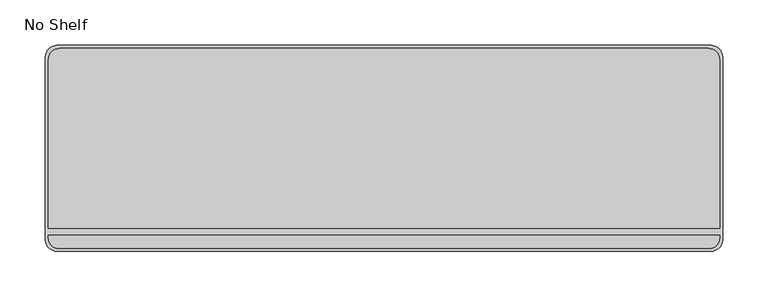
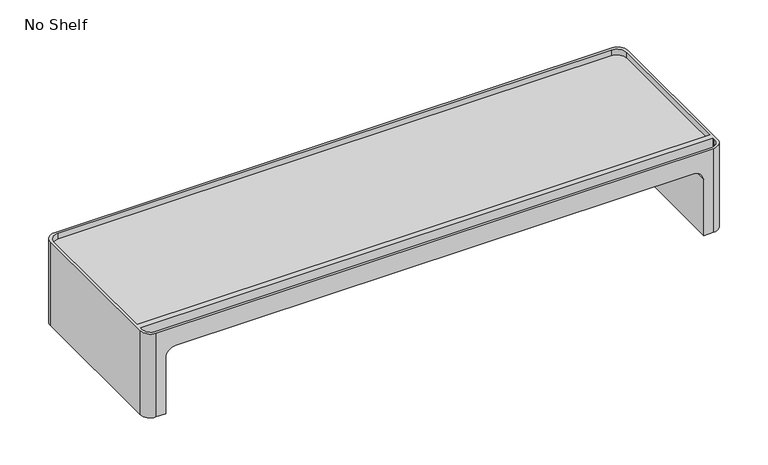
"""IFC4 building model written with IfcOpenShell, lengths in millimetres: furniture geometry, No Shelf."""

from ifc_helpers import new_model, si_unit, frame, origin, place, context, project, spatial, polyline, circle_curve, source, transform, mapped, element, save
from ifc_brep_helpers import plane_surface, cylinder_surface, revolved_surface, advanced_brep


def no_shelf_d7dae3b1(model_context):
    return source(origin(), model_context, "Body", "AdvancedBrep", [
        advanced_brep(
        [(-1.9313861, 14.6303873, 838.2031248), (10.7686139, 1.9303873, 838.2031248), (730.8586235, 1.9303873, 838.2031248), (743.5586235, 14.6303873, 838.2031248), (743.5586235, 215.9, 838.2031248), (730.8586235, 228.6, 838.2031248), (10.7686139, 228.6, 838.2031248), (-1.9313861, 215.9, 838.2031248), (13.9436139, 225.4249758, 838.2031248), (727.683672, 225.4249758, 838.2031248), (740.383672, 212.7249758, 838.2031248), (740.383672, 27.2122743, 838.2031248), (1.2436139, 27.2122743, 838.2031248), (1.2436139, 212.7249758, 838.2031248), (1.2436139, 19.6180613, 838.2031248), (740.383672, 19.6180613, 838.2031248), (740.383672, 16.5353751, 838.2031248), (728.953672, 5.1053751, 838.2031248), (12.6736139, 5.1053751, 838.2031248), (1.2436139, 16.5353751, 838.2031248), (-1.9313861, 14.6303873, 723.9), (-1.9313861, 215.9, 723.9), (10.7686139, 228.6, 723.9), (23.4466191, 228.6, 723.9), (23.4466191, 1.9303873, 723.9), (10.7686139, 1.9303873, 723.9), (730.8586235, 228.6, 723.9), (743.5586235, 215.9, 723.9), (743.5586235, 14.6303873, 723.9), (730.8586235, 1.9303873, 723.9), (718.1872071, 1.9303873, 723.9), (718.1872071, 228.6, 723.9), (23.4466191, 1.9303873, 800.0309877), (36.1466191, 1.9303873, 812.7309877), (705.4872071, 1.9303873, 812.7309877), (718.1872071, 1.9303873, 800.0309877), (718.1872071, 228.6, 800.0309877), (705.4872071, 228.6, 812.7309877), (36.1466191, 228.6, 812.7309877), (23.4466191, 228.6, 800.0309877), (727.683672, 225.4249758, 830.3983686), (13.9436139, 225.4249758, 830.3983686), (1.2436139, 212.7249758, 830.3983686), (1.2436139, 27.2122743, 830.3983686), (740.383672, 27.2122743, 830.3983686), (740.383672, 212.7249758, 830.3983686), (740.383672, 19.6180613, 817.0762894), (1.2436139, 19.6180613, 817.0762894), (1.2436139, 16.5353751, 817.0762894), (12.6736139, 5.1053751, 817.0762894), (728.953672, 5.1053751, 817.0762894), (740.383672, 16.5353751, 817.0762894)],
        [
            (0, 1, circle_curve(frame((10.7686139, 14.6303873, 838.2031248), z_axis=(0.0, 0.0, 1.0), x_axis=(1.0, 0.0, 0.0)), 12.7)),
            (1, 2),
            (2, 3, circle_curve(frame((730.8586235, 14.6303873, 838.2031248), z_axis=(0.0, 0.0, 1.0), x_axis=(1.0, 0.0, 0.0)), 12.7)),
            (3, 4),
            (4, 5, circle_curve(frame((730.8586235, 215.9, 838.2031248), z_axis=(0.0, 0.0, 1.0), x_axis=(1.0, 0.0, 0.0)), 12.7)),
            (5, 6),
            (6, 7, circle_curve(frame((10.7686139, 215.9, 838.2031248), z_axis=(0.0, 0.0, 1.0), x_axis=(1.0, 0.0, 0.0)), 12.7)),
            (7, 0),
            (8, 9),
            (9, 10, circle_curve(frame((727.683672, 212.7249758, 838.2031248), z_axis=(0.0, 0.0, -1.0), x_axis=(1.0, 0.0, 0.0)), 12.7)),
            (10, 11),
            (11, 12),
            (12, 13),
            (13, 8, circle_curve(frame((13.9436139, 212.7249758, 838.2031248), z_axis=(0.0, 0.0, -1.0), x_axis=(1.0, 0.0, 0.0)), 12.7)),
            (14, 15),
            (15, 16),
            (16, 17, circle_curve(frame((728.953672, 16.5353751, 838.2031248), z_axis=(0.0, 0.0, -1.0), x_axis=(1.0, 0.0, 0.0)), 11.43)),
            (17, 18),
            (18, 19, circle_curve(frame((12.6736139, 16.5353751, 838.2031248), z_axis=(0.0, 0.0, -1.0), x_axis=(1.0, 0.0, 0.0)), 11.43)),
            (19, 14),
            (20, 21),
            (21, 22, circle_curve(frame((10.7686139, 215.9, 723.9), z_axis=(0.0, 0.0, -1.0), x_axis=(1.0, 0.0, 0.0)), 12.7)),
            (22, 23),
            (23, 24),
            (24, 25),
            (25, 20, circle_curve(frame((10.7686139, 14.6303873, 723.9), z_axis=(0.0, 0.0, -1.0), x_axis=(1.0, 0.0, 0.0)), 12.7)),
            (26, 27, circle_curve(frame((730.8586235, 215.9, 723.9), z_axis=(0.0, 0.0, -1.0), x_axis=(1.0, 0.0, 0.0)), 12.7)),
            (27, 28),
            (28, 29, circle_curve(frame((730.8586235, 14.6303873, 723.9), z_axis=(0.0, 0.0, -1.0), x_axis=(1.0, 0.0, 0.0)), 12.7)),
            (29, 30),
            (30, 31),
            (31, 26),
            (0, 20),
            (25, 1),
            (24, 32),
            (32, 33, circle_curve(frame((36.1466191, 1.9303873, 800.0309877), z_axis=(0.0, 1.0, 0.0), x_axis=(1.0, 0.0, 0.0)), 12.7)),
            (33, 34),
            (34, 35, circle_curve(frame((705.4872071, 1.9303873, 800.0309877), z_axis=(0.0, 1.0, 0.0), x_axis=(1.0, 0.0, 0.0)), 12.7)),
            (35, 30),
            (29, 2),
            (28, 3),
            (27, 4),
            (26, 5),
            (31, 36),
            (36, 37, circle_curve(frame((705.4872071, 228.6, 800.0309877), z_axis=(0.0, -1.0, 0.0), x_axis=(1.0, 0.0, 0.0)), 12.7)),
            (37, 38),
            (38, 39, circle_curve(frame((36.1466191, 228.6, 800.0309877), z_axis=(0.0, -1.0, 0.0), x_axis=(1.0, 0.0, 0.0)), 12.7)),
            (39, 23),
            (22, 6),
            (21, 7),
            (39, 32),
            (35, 36),
            (34, 37),
            (33, 38),
            (40, 41),
            (41, 42, circle_curve(frame((13.9436139, 212.7249758, 830.3983686), z_axis=(0.0, 0.0, 1.0), x_axis=(1.0, 0.0, 0.0)), 12.7)),
            (42, 43),
            (43, 44),
            (44, 45),
            (45, 40, circle_curve(frame((727.683672, 212.7249758, 830.3983686), z_axis=(0.0, 0.0, 1.0), x_axis=(1.0, 0.0, 0.0)), 12.7)),
            (40, 9),
            (8, 41),
            (13, 42),
            (12, 43),
            (11, 44),
            (10, 45),
            (46, 47),
            (47, 48),
            (48, 49, circle_curve(frame((12.6736139, 16.5353751, 817.0762894), z_axis=(0.0, 0.0, 1.0), x_axis=(1.0, 0.0, 0.0)), 11.43)),
            (49, 50),
            (50, 51, circle_curve(frame((728.953672, 16.5353751, 817.0762894), z_axis=(0.0, 0.0, 1.0), x_axis=(1.0, 0.0, 0.0)), 11.43)),
            (51, 46),
            (46, 15),
            (14, 47),
            (19, 48),
            (18, 49),
            (17, 50),
            (16, 51),
        ],
        [
            plane_surface(frame((23.4686139, 14.6303873, 838.2031248), z_axis=(0.0, 0.0, 1.0), x_axis=(0.0, 1.0, 0.0))),
            plane_surface(frame((23.4686139, 14.6303873, 723.9), z_axis=(0.0, 0.0, -1.0), x_axis=(0.0, -1.0, 0.0))),
            cylinder_surface(frame((10.7686139, 14.6303873, 723.9), z_axis=(0.0, 0.0, 1.0), x_axis=(1.0, 0.0, 0.0)), 12.7),
            plane_surface(frame((10.7686139, 1.9303873, 838.2031248), z_axis=(0.0, -1.0, 0.0), x_axis=(0.0, 0.0, -1.0))),
            cylinder_surface(frame((730.8586235, 14.6303873, 723.9), z_axis=(0.0, 0.0, 1.0), x_axis=(1.0, 0.0, 0.0)), 12.7),
            plane_surface(frame((743.5586235, 14.6303873, 838.2031248), z_axis=(1.0, 0.0, 0.0), x_axis=(0.0, 0.0, -1.0))),
            cylinder_surface(frame((730.8586235, 215.9, 723.9), z_axis=(0.0, 0.0, 1.0), x_axis=(1.0, 0.0, 0.0)), 12.7),
            plane_surface(frame((730.8586235, 228.6, 838.2031248), z_axis=(0.0, 1.0, 0.0), x_axis=(0.0, 0.0, -1.0))),
            cylinder_surface(frame((10.7686139, 215.9, 723.9), z_axis=(0.0, 0.0, 1.0), x_axis=(1.0, 0.0, 0.0)), 12.7),
            plane_surface(frame((-1.9313861, 215.9, 838.2031248), z_axis=(-1.0, 0.0, 0.0), x_axis=(0.0, 0.0, -1.0))),
            plane_surface(frame((23.4466191, -190.5, 800.0309877), z_axis=(1.0, 0.0, 0.0), x_axis=(0.0, 1.0, 0.0))),
            plane_surface(frame((718.1872071, -190.5, 723.9), z_axis=(-1.0, 0.0, 0.0), x_axis=(0.0, 1.0, 0.0))),
            revolved_surface(polyline([(718.1872071, 1.9303873000000067, 800.0309877), (718.1872071, 228.6, 800.0309877)]), (705.4872071, 447.3250306, 800.0309877), (0.0, -1.0, 0.0)),
            plane_surface(frame((705.4872071, -190.5, 812.7309877), z_axis=(0.0, 0.0, -1.0), x_axis=(0.0, 1.0, 0.0))),
            revolved_surface(polyline([(48.8466191, 1.9303873000000067, 800.0309877), (48.8466191, 228.6, 800.0309877)]), (36.1466191, 447.3250306, 800.0309877), (0.0, -1.0, 0.0)),
            plane_surface(frame((12.7604916, 225.4249758, 830.3983686), z_axis=(0.0, 0.0, 1.0), x_axis=(1.0, 0.0, 0.0))),
            plane_surface(frame((727.683672, 225.4249758, 874.4453433), z_axis=(0.0, -1.0, 0.0), x_axis=(0.0, 0.0, -1.0))),
            revolved_surface(polyline([(26.6436139, 212.7249758, 838.2031248), (26.6436139, 212.7249758, 830.3983686)]), (13.9436139, 212.7249758, 830.3983686), (0.0, 0.0, 1.0)),
            plane_surface(frame((1.2436139, 212.7249758, 874.4453433), z_axis=(1.0, 0.0, 0.0), x_axis=(0.0, 0.0, -1.0))),
            plane_surface(frame((1.2436139, 27.2122743, 874.4453433), z_axis=(0.0, 1.0, 0.0), x_axis=(0.0, 0.0, -1.0))),
            plane_surface(frame((740.383672, 27.2122743, 874.4453433), z_axis=(-1.0, 0.0, 0.0), x_axis=(0.0, 0.0, -1.0))),
            revolved_surface(polyline([(740.383672, 212.7249758, 838.2031248), (740.383672, 212.7249758, 830.3983686)]), (727.683672, 212.7249758, 830.3983686), (0.0, 0.0, 1.0)),
            plane_surface(frame((1.2436139, 19.6180613, 817.0762894), z_axis=(0.0, 0.0, 1.0), x_axis=(1.0, 0.0, 0.0))),
            plane_surface(frame((740.383672, 19.6180613, 875.2667538), z_axis=(0.0, -1.0, 0.0), x_axis=(0.0, 0.0, -1.0))),
            plane_surface(frame((1.2436139, 19.6180613, 875.2667538), z_axis=(1.0, 0.0, 0.0), x_axis=(0.0, 0.0, -1.0))),
            revolved_surface(polyline([(24.1036139, 16.5353751, 838.2031248), (24.1036139, 16.5353751, 817.0762894)]), (12.6736139, 16.5353751, 817.0762894), (0.0, 0.0, 1.0)),
            plane_surface(frame((12.6736139, 5.1053751, 875.2667538), z_axis=(0.0, 1.0, 0.0), x_axis=(0.0, 0.0, -1.0))),
            revolved_surface(polyline([(740.3836719999999, 16.5353751, 838.2031248), (740.3836719999999, 16.5353751, 817.0762894)]), (728.953672, 16.5353751, 817.0762894), (0.0, 0.0, 1.0)),
            plane_surface(frame((740.383672, 16.5353751, 875.2667538), z_axis=(-1.0, 0.0, 0.0), x_axis=(0.0, 0.0, -1.0))),
        ],
        [
            (0, [[1, 2, 3, 4, 5, 6, 7, 8], [9, 10, 11, 12, 13, 14], [15, 16, 17, 18, 19, 20]]),
            (1, [[21, 22, 23, 24, 25, 26]]),
            (1, [[27, 28, 29, 30, 31, 32]]),
            (2, [[-1, 33, -26, 34]]),
            (3, [[-2, -34, -25, 35, 36, 37, 38, 39, -30, 40]]),
            (4, [[-3, -40, -29, 41]]),
            (5, [[-4, -41, -28, 42]]),
            (6, [[-5, -42, -27, 43]]),
            (7, [[-6, -43, -32, 44, 45, 46, 47, 48, -23, 49]]),
            (8, [[-7, -49, -22, 50]]),
            (9, [[-8, -50, -21, -33]]),
            (10, [[51, -35, -24, -48]]),
            (11, [[52, -44, -31, -39]]),
            (12, [[-52, -38, 53, -45]]),
            (13, [[-53, -37, 54, -46]]),
            (14, [[-51, -47, -54, -36]]),
            (15, [[55, 56, 57, 58, 59, 60]]),
            (16, [[-55, 61, -9, 62]]),
            (17, [[-56, -62, -14, 63]]),
            (18, [[-57, -63, -13, 64]]),
            (19, [[-58, -64, -12, 65]]),
            (20, [[-59, -65, -11, 66]]),
            (21, [[-60, -66, -10, -61]]),
            (22, [[67, 68, 69, 70, 71, 72]]),
            (23, [[-67, 73, -15, 74]]),
            (24, [[-68, -74, -20, 75]]),
            (25, [[-69, -75, -19, 76]]),
            (26, [[-70, -76, -18, 77]]),
            (27, [[-71, -77, -17, 78]]),
            (28, [[-72, -78, -16, -73]]),
        ],
    ),
    ])


if __name__ == "__main__":
    model = new_model("IFC4")
    model_context = context("Model", 3, world=origin())
    ifc_project = project(units=[si_unit("LENGTHUNIT", "METRE", prefix="MILLI")], contexts=[model_context])
    site = spatial("IfcSite", under=ifc_project)
    building = spatial("IfcBuilding", under=site)
    placement = place(None, origin())
    no_shelf_shape = no_shelf_d7dae3b1(model_context)
    element("IfcFurniture", 1, ObjectType="No Shelf", at=placement, inside=building, context=model_context, shape_type="MappedRepresentation", body=[
        mapped(no_shelf_shape, transform((0.0, 0.0, 0.0), x_axis=(1.0, 0.0, 0.0), y_axis=(0.0, 1.0, 0.0), z_axis=(0.0, 0.0, 1.0))),
    ])
    save(model, "model.ifc")
